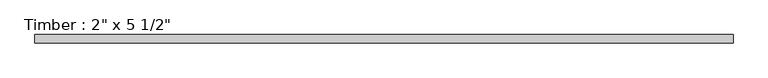
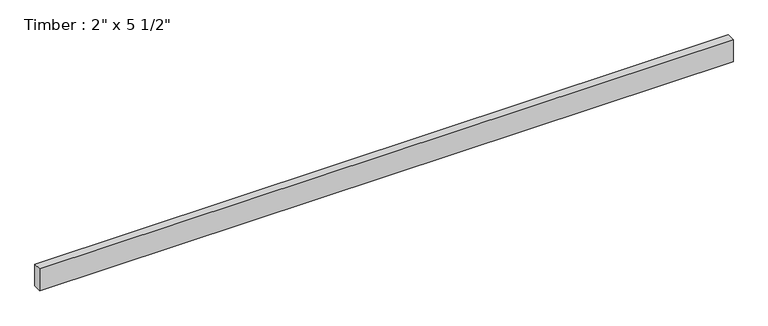
"""IFC4 building model written with IfcOpenShell, lengths in millimetres: beam geometry."""

from ifc_helpers import new_model, si_unit, frame, origin, place, context, project, spatial, polyline, outline, extrude, source, transform, mapped, element, save


def beam_ad157fd9(model_context):
    return source(origin(), model_context, "Body", "SweptSolid", [
        extrude(outline(polyline([(2093.6961942, 25.4), (2093.6961942, -25.4), (-2093.6961948, -25.4), (-2093.6961948, 25.4), (2093.6961942, 25.4)])), frame((0.0, 0.0, -69.85), z_axis=(0.0, 0.0, 1.0), x_axis=(1.0, 0.0, 0.0)), (0.0, 0.0, 1.0), 139.7),
    ])


if __name__ == "__main__":
    model = new_model("IFC4")
    model_context = context("Model", 3, world=origin())
    ifc_project = project(units=[si_unit("LENGTHUNIT", "METRE", prefix="MILLI")], contexts=[model_context])
    site = spatial("IfcSite", under=ifc_project)
    building = spatial("IfcBuilding", under=site)
    placement = place(None, origin())
    beam_shape = beam_ad157fd9(model_context)
    element("IfcBeam", 1, ObjectType="Timber : 2\" x 5 1/2\"", at=placement, inside=building, context=model_context, shape_type="MappedRepresentation", body=[
        mapped(beam_shape, transform((0.0, 0.0, 0.0), x_axis=(1.0, 0.0, 0.0), y_axis=(0.0, 1.0, 0.0), z_axis=(0.0, 0.0, 1.0))),
    ])
    save(model, "model.ifc")
